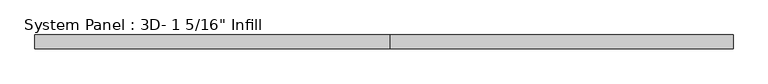
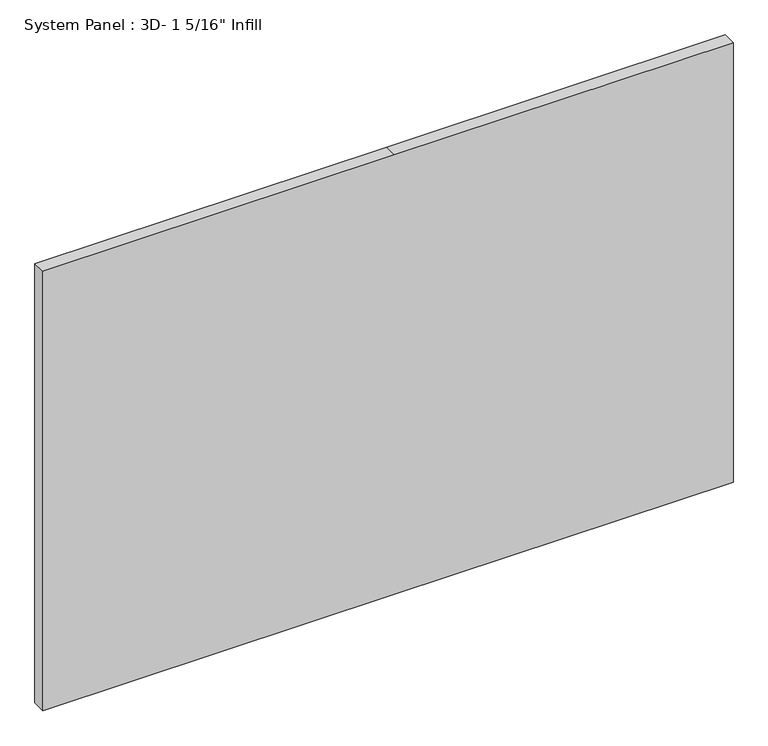
"""IFC4 building model written with IfcOpenShell, lengths in millimetres: plate geometry."""

from ifc_helpers import new_model, si_unit, origin, place, context, project, spatial, faceted_brep, source, transform, mapped, element, save


def plate_874ee988(model_context):
    return source(origin(), model_context, "Body", "Brep", [
        faceted_brep([(-854.075, -16.66875, 0.0), (15.875, -16.66875, 0.0), (854.075, -16.66875, 0.0), (854.075, -16.66875, 1149.3625238), (15.875, -16.66875, 1149.3625238), (-854.0748932, -16.66875, 1149.3625238), (-854.0748932, 16.66875, 0.0), (-854.0748932, 16.66875, 1149.3625238), (15.875, 16.66875, 1149.3625238), (854.075, 16.66875, 1149.3625238), (854.075, 16.66875, 0.0), (15.875, 16.66875, 0.0)], [[[0, 1, 2, 3, 4, 5]], [[6, 7, 8, 9, 10, 11]], [[1, 0, 6, 11]], [[2, 1, 11, 10]], [[3, 2, 10, 9]], [[4, 3, 9, 8]], [[5, 4, 8, 7]], [[0, 5, 7, 6]]]),
    ])


if __name__ == "__main__":
    model = new_model("IFC4")
    model_context = context("Model", 3, world=origin())
    ifc_project = project(units=[si_unit("LENGTHUNIT", "METRE", prefix="MILLI")], contexts=[model_context])
    site = spatial("IfcSite", under=ifc_project)
    building = spatial("IfcBuilding", under=site)
    placement = place(None, origin())
    plate_shape = plate_874ee988(model_context)
    element("IfcPlate", 1, ObjectType="System Panel : 3D- 1 5/16\" Infill", at=placement, inside=building, context=model_context, shape_type="MappedRepresentation", body=[
        mapped(plate_shape, transform((0.0, 0.0, 0.0), x_axis=(1.0, 0.0, 0.0), y_axis=(0.0, 1.0, 0.0), z_axis=(0.0, 0.0, 1.0))),
    ])
    save(model, "model.ifc")
